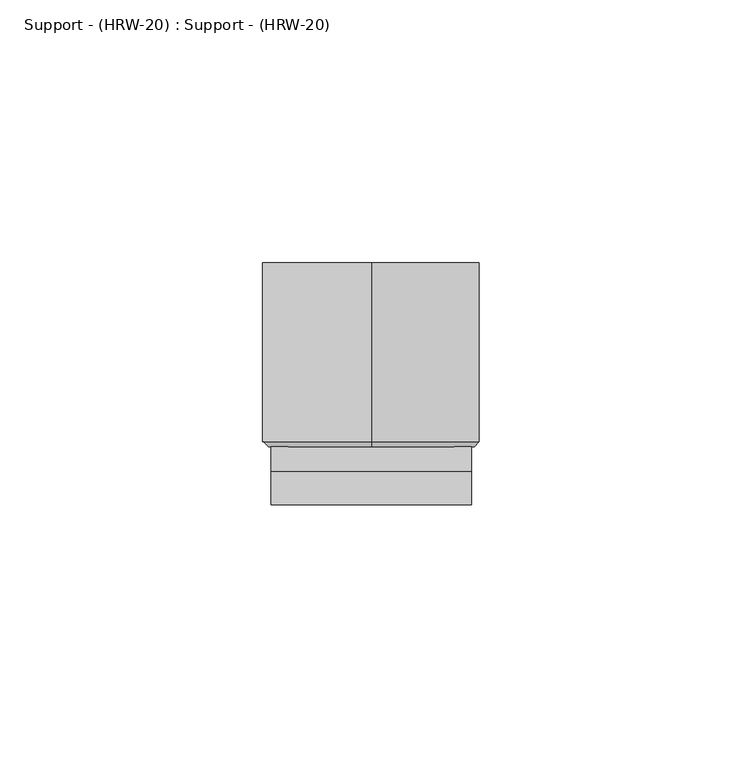
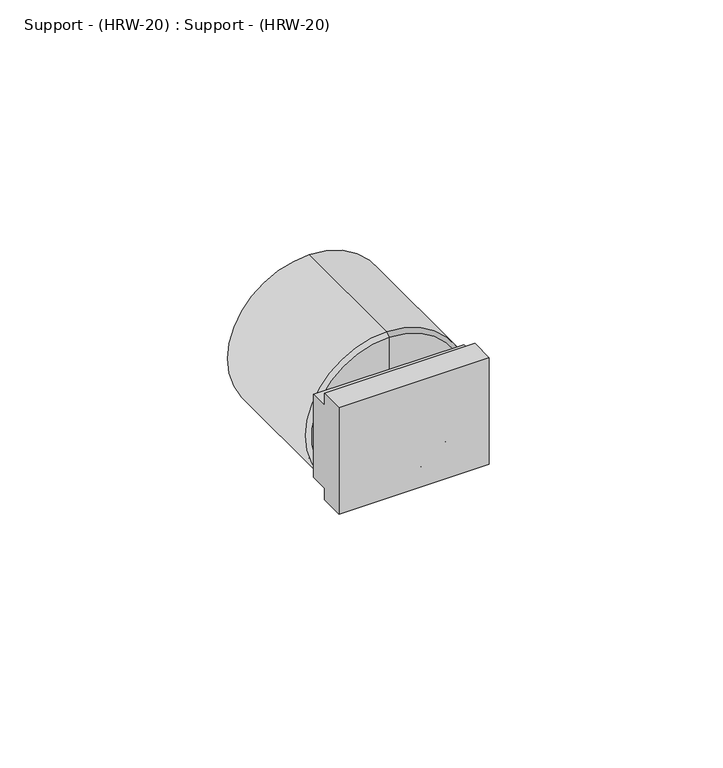
"""IFC4 building model written with IfcOpenShell, lengths in millimetres: proxy geometry, Support - (HRW-20) : Support - (HRW-20)."""

import ifcopenshell
import ifcopenshell.guid

model = None  # the IFC model being written
_history = None  # IfcOwnerHistory: only IFC2X3 demands one
_inside = {}  # id of a spatial element -> (the spatial element, [elements in it])
_under = {}  # id of a project, library or spatial element -> (it, [spatial elements below it])
_declared = {}  # id of a project -> (the project, [libraries it declares])
_typed = {}  # id of a type object -> (the type object, [elements of that type])
_made_of = {}  # id of a material, layer set ... -> (it, [elements and type objects made of it])


def new_model(schema):
    """Start an empty IFC model of exactly this schema.

    Asked for "IFC4X3", IfcOpenShell would pick the latest addendum, in which some entities
    have other attributes; the version numbers below select the first issue.
    IFC2X3 requires an IfcOwnerHistory on every rooted entity: one is made here for all.
    """
    global model, _history
    if schema == "IFC4X3":
        model = ifcopenshell.file(schema_version=(4, 3, 0, 0))
    else:
        model = ifcopenshell.file(schema=schema)
    _inside.clear()
    _under.clear()
    _declared.clear()
    _typed.clear()
    _made_of.clear()
    _history = None
    if model.schema == "IFC2X3":
        org = make("IfcOrganization", Name="unknown")
        user = make(
            "IfcPersonAndOrganization",
            ThePerson=make("IfcPerson", FamilyName="unknown"),
            TheOrganization=org,
        )
        app = make(
            "IfcApplication",
            ApplicationDeveloper=org,
            Version="unknown",
            ApplicationFullName="unknown",
            ApplicationIdentifier="unknown",
        )
        _history = make(
            "IfcOwnerHistory",
            OwningUser=user,
            OwningApplication=app,
            ChangeAction="ADDED",
            CreationDate=0,
        )
    return model


def make(cls, **values):
    """One entity of the class cls with the attributes given. An attribute that is None is left unset."""
    return model.create_entity(
        cls, **{name: value for name, value in values.items() if value is not None}
    )


def rooted(cls, **values):
    """An entity with a GlobalId (a new one), such as an element, a storey or a relation."""
    return make(cls, GlobalId=ifcopenshell.guid.new(), OwnerHistory=_history, **values)


def si_unit(unit_type, name, prefix=None):
    """IfcSIUnit, for example si_unit("LENGTHUNIT", "METRE", prefix="MILLI")."""
    return make("IfcSIUnit", UnitType=unit_type, Prefix=prefix, Name=name)


def assignment(units):
    """IfcUnitAssignment: the units of a project."""
    return None if units is None else make("IfcUnitAssignment", Units=units)


def point(xyz):
    """IfcCartesianPoint."""
    return None if xyz is None else make("IfcCartesianPoint", Coordinates=xyz)


def direction(xyz):
    """IfcDirection."""
    return None if xyz is None else make("IfcDirection", DirectionRatios=xyz)


def frame(location, z_axis=None, x_axis=None):
    """IfcAxis2Placement3D, a coordinate frame: its origin and axes. An axis left out is left unset."""
    return make(
        "IfcAxis2Placement3D",
        Location=point(location),
        Axis=direction(z_axis),
        RefDirection=direction(x_axis),
    )


def origin():
    """The frame at (0, 0, 0) with its axes left unset."""
    return frame((0.0, 0.0, 0.0))


def place(relative_to, where):
    """IfcLocalPlacement: puts the frame where relative to a parent placement (None: the world)."""
    return make(
        "IfcLocalPlacement", PlacementRelTo=relative_to, RelativePlacement=where
    )


def context(
    kind, dimensions, precision=None, world=None, true_north=None, identifier=None
):
    """IfcGeometricRepresentationContext, for example the 3D "Model" context."""
    return make(
        "IfcGeometricRepresentationContext",
        ContextIdentifier=identifier,
        ContextType=kind,
        CoordinateSpaceDimension=dimensions,
        Precision=precision,
        WorldCoordinateSystem=world,
        TrueNorth=true_north,
    )


def project(units=None, contexts=None):
    """IfcProject with its units and contexts."""
    return rooted(
        "IfcProject",
        Name="project",
        RepresentationContexts=contexts,
        UnitsInContext=assignment(units),
    )


def spatial(cls, under=None, at=None, **own):
    """A site, building, storey or space (cls), placed at a placement, below another one or the project."""
    s = rooted(cls, ObjectPlacement=at, **own)
    if under is not None:
        _under.setdefault(under.id(), (under, []))[1].append(s)
    return s


def polyline(points):
    """IfcPolyline through the points."""
    return make("IfcPolyline", Points=[point(p) for p in points])


def circle_curve(where, radius):
    """IfcCircle in the frame where."""
    return make("IfcCircle", Position=where, Radius=radius)


def outline(outer, holes=None, kind="AREA"):
    """IfcArbitraryClosedProfileDef: a profile drawn as a closed curve; with holes, ...WithVoids."""
    if holes is None:
        return make("IfcArbitraryClosedProfileDef", ProfileType=kind, OuterCurve=outer)
    return make(
        "IfcArbitraryProfileDefWithVoids",
        ProfileType=kind,
        OuterCurve=outer,
        InnerCurves=holes,
    )


def extrude(swept, where, along, depth):
    """IfcExtrudedAreaSolid: the profile swept, set in the frame where, extruded along a direction by depth."""
    return make(
        "IfcExtrudedAreaSolid",
        SweptArea=swept,
        Position=where,
        ExtrudedDirection=direction(along),
        Depth=depth,
    )


def shape(context_of_items, identifier, shape_type, items):
    """IfcShapeRepresentation: the items that make up one representation, for example the "Body"."""
    return make(
        "IfcShapeRepresentation",
        ContextOfItems=context_of_items,
        RepresentationIdentifier=identifier,
        RepresentationType=shape_type,
        Items=items,
    )


def source(mapping_origin, context_of_items, identifier, shape_type, items):
    """IfcRepresentationMap: a shape defined once, which mapped items show again and again."""
    return make(
        "IfcRepresentationMap",
        MappingOrigin=mapping_origin,
        MappedRepresentation=shape(context_of_items, identifier, shape_type, items),
    )


def transform(
    local_origin,
    x_axis=None,
    y_axis=None,
    z_axis=None,
    scale=None,
    scale2=None,
    scale3=None,
    uniform=True,
):
    """IfcCartesianTransformationOperator3D, or its non-uniform kind. x_axis, y_axis, z_axis: its Axis1, 2, 3."""
    if uniform:
        return make(
            "IfcCartesianTransformationOperator3D",
            Axis1=direction(x_axis),
            Axis2=direction(y_axis),
            LocalOrigin=point(local_origin),
            Scale=scale,
            Axis3=direction(z_axis),
        )
    return make(
        "IfcCartesianTransformationOperator3DnonUniform",
        Axis1=direction(x_axis),
        Axis2=direction(y_axis),
        LocalOrigin=point(local_origin),
        Scale=scale,
        Axis3=direction(z_axis),
        Scale2=scale2,
        Scale3=scale3,
    )


def mapped(mapping_source, mapping_target):
    """IfcMappedItem: shows the shape of a source again, moved by a transform."""
    return make(
        "IfcMappedItem", MappingSource=mapping_source, MappingTarget=mapping_target
    )


def made_of(thing, what):
    """Note that an element or type object is made of a material, layer set ...; save() writes the relation."""
    if what is not None:
        _made_of.setdefault(what.id(), (what, []))[1].append(thing)
    return thing


def element(
    cls,
    number,
    at=None,
    inside=None,
    cuts=None,
    type_object=None,
    material=None,
    context=None,
    identifier="Body",
    shape_type=None,
    held_by="IfcProductDefinitionShape",
    body=None,
    shapes=None,
    **own,
):
    """One element of the class cls, such as IfcWall. Its Tag is "e" and its number.

    at: its placement. inside: the storey or other place that contains it. cuts: it is an
    opening in that element (IfcRelVoidsElement). A single representation is given by context,
    identifier, shape_type and body (its items); several are given by shapes. held_by: the class
    of the entity that holds the representations. save() writes the other relations.
    """
    e = rooted(cls, Tag="e%d" % number, ObjectPlacement=at, **own)
    if body is not None:
        shapes = [shape(context, identifier, shape_type, body)]
    if shapes is not None:
        e.Representation = make(held_by, Representations=shapes)
    if inside is not None:
        _inside.setdefault(inside.id(), (inside, []))[1].append(e)
    if cuts is not None:
        rooted(
            "IfcRelVoidsElement", RelatingBuildingElement=cuts, RelatedOpeningElement=e
        )
    if type_object is not None:
        _typed.setdefault(type_object.id(), (type_object, []))[1].append(e)
    return made_of(e, material)


def aggregate(whole, parts):
    """IfcRelAggregates: a whole, such as a stair, and the parts it consists of."""
    return rooted("IfcRelAggregates", RelatingObject=whole, RelatedObjects=parts)


def save(model, path):
    """Write the relations noted so far, then the file.

    IfcRelAggregates (storeys below a building ...), IfcRelContainedInSpatialStructure (elements
    in a storey), IfcRelDefinesByType, IfcRelAssociatesMaterial and IfcRelDeclares: one each for
    every whole, place, type object, material and project.
    """
    for whole, parts in _under.values():
        aggregate(whole, parts)
    for where, things in _inside.values():
        rooted(
            "IfcRelContainedInSpatialStructure",
            RelatedElements=things,
            RelatingStructure=where,
        )
    for kind, things in _typed.values():
        rooted("IfcRelDefinesByType", RelatedObjects=things, RelatingType=kind)
    for what, things in _made_of.values():
        rooted("IfcRelAssociatesMaterial", RelatedObjects=things, RelatingMaterial=what)
    for by, libraries in _declared.values():
        rooted("IfcRelDeclares", RelatingContext=by, RelatedDefinitions=libraries)
    model.write(path)


def plane_surface(at):
    """IfcPlane: the flat surface through the origin of the frame at, square to its z axis."""
    return make("IfcPlane", Position=at)


def cylinder_surface(at, radius):
    """IfcCylindricalSurface: all points at the distance radius from the z axis of the frame at."""
    return make("IfcCylindricalSurface", Position=at, Radius=radius)


def revolved_surface(curve, axis_point, axis_direction):
    """IfcSurfaceOfRevolution: the curve turned about the line through axis_point along axis_direction."""
    return make(
        "IfcSurfaceOfRevolution",
        SweptCurve=make("IfcArbitraryOpenProfileDef", ProfileType="CURVE", Curve=curve),
        AxisPosition=make("IfcAxis1Placement", Location=point(axis_point), Axis=direction(axis_direction)),
    )


def advanced_brep(points, edges, surfaces, faces):
    """IfcAdvancedBrep: a solid bounded by faces that lie on surfaces and meet in shared edges.

    An edge is (start, end): straight between two places in points (the first is 0);
    or (start, end, curve); or (start, end, curve, False) where it runs against its curve.
    A face is (place in surfaces, loops), or (place, loops, False) where it looks against
    its surface's normal. A loop lists edges by number (the first is 1), with a minus sign
    where the edge is run from its end to its start. The first loop is the outer one.
    """
    corners = [point(p) for p in points]
    vertices = [make("IfcVertexPoint", VertexGeometry=c) for c in corners]
    made = []
    for start, end, *more in edges:
        made.append(
            make(
                "IfcEdgeCurve",
                EdgeStart=vertices[start],
                EdgeEnd=vertices[end],
                EdgeGeometry=more[0] if more else make("IfcPolyline", Points=[corners[start], corners[end]]),
                SameSense=more[1] if len(more) > 1 else True,
            )
        )
    hull = []
    for where, loops, *sense in faces:
        bounds = []
        for j, loop in enumerate(loops):
            ring = [make("IfcOrientedEdge", EdgeElement=made[abs(k) - 1], Orientation=k > 0) for k in loop]
            bounds.append(
                make(
                    "IfcFaceOuterBound" if j == 0 else "IfcFaceBound",
                    Bound=make("IfcEdgeLoop", EdgeList=ring),
                    Orientation=True,
                )
            )
        hull.append(make("IfcAdvancedFace", Bounds=bounds, FaceSurface=surfaces[where], SameSense=sense[0] if sense else True))
    return make("IfcAdvancedBrep", Outer=make("IfcClosedShell", CfsFaces=hull))


def support_hrw_20_support_hrw_20_8bdd4218(model_context):
    return source(origin(), model_context, "Body", "SolidModel", [
        extrude(outline(polyline([(10.6786172, 52.3963455), (16.9986811, 52.3963455), (16.9986811, 49.2213455), (21.7669745, 49.2213455), (21.7669745, 26.9963455), (16.9986811, 26.9963455), (16.9986811, 23.8213455), (10.6786172, 23.8213455), (10.6786172, 52.3963455)])), frame((-19.6503168, 0.0, 0.0), z_axis=(1.0, 0.0, 0.0), x_axis=(0.0, 1.0, 0.0)), (0.0, 0.0, 1.0), 38.1),
        advanced_brep(
        [(-0.6003168, 56.6919745, 17.4713455), (-0.6003168, 56.6919745, 58.7463455), (-0.6003168, 56.6919745, 38.1088455), (-0.6003168, 22.7142976, 17.4713455), (-0.6003168, 22.7142976, 58.7463455), (-0.6003168, 21.7669745, 18.4186686), (-0.6003168, 21.7669745, 57.7990225), (-0.6003168, 21.7669745, 38.1088455)],
        [
            (0, 1, circle_curve(frame((-0.6003168, 56.6919745, 38.1088455), z_axis=(0.0, 1.0, 0.0), x_axis=(0.0, 0.0, 1.0)), 20.6375)),
            (1, 2),
            (2, 0),
            (1, 0, circle_curve(frame((-0.6003168, 56.6919745, 38.1088455), z_axis=(0.0, 1.0, 0.0), x_axis=(0.0, 0.0, 1.0)), 20.6375)),
            (3, 4, circle_curve(frame((-0.6003168, 22.7142976, 38.1088455), z_axis=(0.0, 1.0, 0.0), x_axis=(0.0, 0.0, 1.0)), 20.6375)),
            (4, 1),
            (0, 3),
            (4, 3, circle_curve(frame((-0.6003168, 22.7142976, 38.1088455), z_axis=(0.0, 1.0, 0.0), x_axis=(0.0, 0.0, 1.0)), 20.6375)),
            (5, 6, circle_curve(frame((-0.6003168, 21.7669745, 38.1088455), z_axis=(0.0, 1.0, 0.0), x_axis=(0.0, 0.0, 1.0)), 19.6901769)),
            (6, 4),
            (3, 5),
            (6, 5, circle_curve(frame((-0.6003168, 21.7669745, 38.1088455), z_axis=(0.0, 1.0, 0.0), x_axis=(0.0, 0.0, 1.0)), 19.6901769)),
            (7, 6),
            (5, 7),
        ],
        [
            plane_surface(frame((-0.6003168, 56.6919745, 38.1088455), z_axis=(0.0, 1.0, 0.0), x_axis=(0.0, 0.0, 1.0))),
            cylinder_surface(frame((-0.6003168, 15.4169745, 38.1088455), z_axis=(0.0, -1.0, 0.0), x_axis=(0.0, 0.0, 1.0)), 20.6375),
            revolved_surface(polyline([(-0.6003168, 22.7142976, 58.7463455), (-0.6003168, 21.7669745, 57.7990225)]), (-0.6003168, 15.4169745, 38.1088455), (0.0, -1.0, 0.0)),
            plane_surface(frame((-0.6003168, 21.7669745, 38.1088455), z_axis=(0.0, -1.0, 0.0), x_axis=(0.0, 0.0, 1.0))),
        ],
        [
            (0, [[1, 2, 3]]),
            (0, [[4, -3, -2]]),
            (1, [[5, 6, -1, 7]]),
            (1, [[8, -7, -4, -6]]),
            (2, [[9, 10, -5, 11]]),
            (2, [[12, -11, -8, -10]]),
            (3, [[13, -9, 14]]),
            (3, [[-14, -12, -13]]),
        ],
    ),
    ])


if __name__ == "__main__":
    model = new_model("IFC4")
    model_context = context("Model", 3, world=origin())
    ifc_project = project(units=[si_unit("LENGTHUNIT", "METRE", prefix="MILLI")], contexts=[model_context])
    site = spatial("IfcSite", under=ifc_project)
    building = spatial("IfcBuilding", under=site)
    placement = place(None, origin())
    support_hrw_20_support_hrw_20_shape = support_hrw_20_support_hrw_20_8bdd4218(model_context)
    element("IfcBuildingElementProxy", 1, Name="Support - (HRW-20) : Support - (HRW-20)", ObjectType="Support - (HRW-20) : Support - (HRW-20)", at=placement, inside=building, context=model_context, shape_type="MappedRepresentation", body=[
        mapped(support_hrw_20_support_hrw_20_shape, transform((0.0, 0.0, 0.0), x_axis=(1.0, 0.0, 0.0), y_axis=(0.0, 1.0, 0.0), z_axis=(0.0, 0.0, 1.0))),
    ])
    save(model, "model.ifc")
